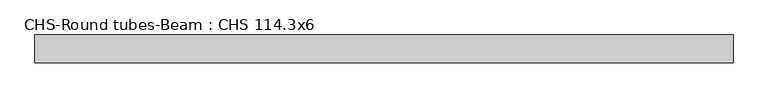
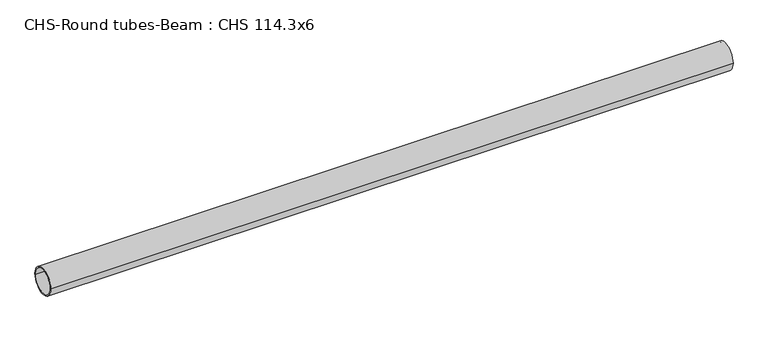
"""IFC4 building model written with IfcOpenShell, lengths in millimetres: beam geometry, CHS-Round tubes-Beam : CHS 114.3x6."""

import ifcopenshell
import ifcopenshell.guid

model = None  # the IFC model being written
_history = None  # IfcOwnerHistory: only IFC2X3 demands one
_inside = {}  # id of a spatial element -> (the spatial element, [elements in it])
_under = {}  # id of a project, library or spatial element -> (it, [spatial elements below it])
_declared = {}  # id of a project -> (the project, [libraries it declares])
_typed = {}  # id of a type object -> (the type object, [elements of that type])
_made_of = {}  # id of a material, layer set ... -> (it, [elements and type objects made of it])


def new_model(schema):
    """Start an empty IFC model of exactly this schema.

    Asked for "IFC4X3", IfcOpenShell would pick the latest addendum, in which some entities
    have other attributes; the version numbers below select the first issue.
    IFC2X3 requires an IfcOwnerHistory on every rooted entity: one is made here for all.
    """
    global model, _history
    if schema == "IFC4X3":
        model = ifcopenshell.file(schema_version=(4, 3, 0, 0))
    else:
        model = ifcopenshell.file(schema=schema)
    _inside.clear()
    _under.clear()
    _declared.clear()
    _typed.clear()
    _made_of.clear()
    _history = None
    if model.schema == "IFC2X3":
        org = make("IfcOrganization", Name="unknown")
        user = make(
            "IfcPersonAndOrganization",
            ThePerson=make("IfcPerson", FamilyName="unknown"),
            TheOrganization=org,
        )
        app = make(
            "IfcApplication",
            ApplicationDeveloper=org,
            Version="unknown",
            ApplicationFullName="unknown",
            ApplicationIdentifier="unknown",
        )
        _history = make(
            "IfcOwnerHistory",
            OwningUser=user,
            OwningApplication=app,
            ChangeAction="ADDED",
            CreationDate=0,
        )
    return model


def make(cls, **values):
    """One entity of the class cls with the attributes given. An attribute that is None is left unset."""
    return model.create_entity(
        cls, **{name: value for name, value in values.items() if value is not None}
    )


def rooted(cls, **values):
    """An entity with a GlobalId (a new one), such as an element, a storey or a relation."""
    return make(cls, GlobalId=ifcopenshell.guid.new(), OwnerHistory=_history, **values)


def si_unit(unit_type, name, prefix=None):
    """IfcSIUnit, for example si_unit("LENGTHUNIT", "METRE", prefix="MILLI")."""
    return make("IfcSIUnit", UnitType=unit_type, Prefix=prefix, Name=name)


def assignment(units):
    """IfcUnitAssignment: the units of a project."""
    return None if units is None else make("IfcUnitAssignment", Units=units)


def point(xyz):
    """IfcCartesianPoint."""
    return None if xyz is None else make("IfcCartesianPoint", Coordinates=xyz)


def direction(xyz):
    """IfcDirection."""
    return None if xyz is None else make("IfcDirection", DirectionRatios=xyz)


def frame(location, z_axis=None, x_axis=None):
    """IfcAxis2Placement3D, a coordinate frame: its origin and axes. An axis left out is left unset."""
    return make(
        "IfcAxis2Placement3D",
        Location=point(location),
        Axis=direction(z_axis),
        RefDirection=direction(x_axis),
    )


def frame_2d(location, x_axis=None):
    """IfcAxis2Placement2D, a coordinate frame in the plane: its origin and x axis."""
    return make(
        "IfcAxis2Placement2D", Location=point(location), RefDirection=direction(x_axis)
    )


def origin():
    """The frame at (0, 0, 0) with its axes left unset."""
    return frame((0.0, 0.0, 0.0))


def origin_2d():
    """The frame at (0, 0) in the plane with its x axis left unset."""
    return frame_2d((0.0, 0.0))


def place(relative_to, where):
    """IfcLocalPlacement: puts the frame where relative to a parent placement (None: the world)."""
    return make(
        "IfcLocalPlacement", PlacementRelTo=relative_to, RelativePlacement=where
    )


def context(
    kind, dimensions, precision=None, world=None, true_north=None, identifier=None
):
    """IfcGeometricRepresentationContext, for example the 3D "Model" context."""
    return make(
        "IfcGeometricRepresentationContext",
        ContextIdentifier=identifier,
        ContextType=kind,
        CoordinateSpaceDimension=dimensions,
        Precision=precision,
        WorldCoordinateSystem=world,
        TrueNorth=true_north,
    )


def project(units=None, contexts=None):
    """IfcProject with its units and contexts."""
    return rooted(
        "IfcProject",
        Name="project",
        RepresentationContexts=contexts,
        UnitsInContext=assignment(units),
    )


def spatial(cls, under=None, at=None, **own):
    """A site, building, storey or space (cls), placed at a placement, below another one or the project."""
    s = rooted(cls, ObjectPlacement=at, **own)
    if under is not None:
        _under.setdefault(under.id(), (under, []))[1].append(s)
    return s


def circle_curve(where, radius):
    """IfcCircle in the frame where."""
    return make("IfcCircle", Position=where, Radius=radius)


def trimmed(basis, trim1, trim2, sense, master):
    """IfcTrimmedCurve: the piece of a basis curve between two trims."""
    return make(
        "IfcTrimmedCurve",
        BasisCurve=basis,
        Trim1=trim1,
        Trim2=trim2,
        SenseAgreement=sense,
        MasterRepresentation=master,
    )


def segment(curve, same_sense, transition):
    """IfcCompositeCurveSegment."""
    return make(
        "IfcCompositeCurveSegment",
        Transition=transition,
        SameSense=same_sense,
        ParentCurve=curve,
    )


def composite_curve(segments, self_intersect=None):
    """IfcCompositeCurve: segments joined end to end."""
    return make("IfcCompositeCurve", Segments=segments, SelfIntersect=self_intersect)


def outline(outer, holes=None, kind="AREA"):
    """IfcArbitraryClosedProfileDef: a profile drawn as a closed curve; with holes, ...WithVoids."""
    if holes is None:
        return make("IfcArbitraryClosedProfileDef", ProfileType=kind, OuterCurve=outer)
    return make(
        "IfcArbitraryProfileDefWithVoids",
        ProfileType=kind,
        OuterCurve=outer,
        InnerCurves=holes,
    )


def extrude(swept, where, along, depth):
    """IfcExtrudedAreaSolid: the profile swept, set in the frame where, extruded along a direction by depth."""
    return make(
        "IfcExtrudedAreaSolid",
        SweptArea=swept,
        Position=where,
        ExtrudedDirection=direction(along),
        Depth=depth,
    )


def shape(context_of_items, identifier, shape_type, items):
    """IfcShapeRepresentation: the items that make up one representation, for example the "Body"."""
    return make(
        "IfcShapeRepresentation",
        ContextOfItems=context_of_items,
        RepresentationIdentifier=identifier,
        RepresentationType=shape_type,
        Items=items,
    )


def source(mapping_origin, context_of_items, identifier, shape_type, items):
    """IfcRepresentationMap: a shape defined once, which mapped items show again and again."""
    return make(
        "IfcRepresentationMap",
        MappingOrigin=mapping_origin,
        MappedRepresentation=shape(context_of_items, identifier, shape_type, items),
    )


def transform(
    local_origin,
    x_axis=None,
    y_axis=None,
    z_axis=None,
    scale=None,
    scale2=None,
    scale3=None,
    uniform=True,
):
    """IfcCartesianTransformationOperator3D, or its non-uniform kind. x_axis, y_axis, z_axis: its Axis1, 2, 3."""
    if uniform:
        return make(
            "IfcCartesianTransformationOperator3D",
            Axis1=direction(x_axis),
            Axis2=direction(y_axis),
            LocalOrigin=point(local_origin),
            Scale=scale,
            Axis3=direction(z_axis),
        )
    return make(
        "IfcCartesianTransformationOperator3DnonUniform",
        Axis1=direction(x_axis),
        Axis2=direction(y_axis),
        LocalOrigin=point(local_origin),
        Scale=scale,
        Axis3=direction(z_axis),
        Scale2=scale2,
        Scale3=scale3,
    )


def mapped(mapping_source, mapping_target):
    """IfcMappedItem: shows the shape of a source again, moved by a transform."""
    return make(
        "IfcMappedItem", MappingSource=mapping_source, MappingTarget=mapping_target
    )


def made_of(thing, what):
    """Note that an element or type object is made of a material, layer set ...; save() writes the relation."""
    if what is not None:
        _made_of.setdefault(what.id(), (what, []))[1].append(thing)
    return thing


def element(
    cls,
    number,
    at=None,
    inside=None,
    cuts=None,
    type_object=None,
    material=None,
    context=None,
    identifier="Body",
    shape_type=None,
    held_by="IfcProductDefinitionShape",
    body=None,
    shapes=None,
    **own,
):
    """One element of the class cls, such as IfcWall. Its Tag is "e" and its number.

    at: its placement. inside: the storey or other place that contains it. cuts: it is an
    opening in that element (IfcRelVoidsElement). A single representation is given by context,
    identifier, shape_type and body (its items); several are given by shapes. held_by: the class
    of the entity that holds the representations. save() writes the other relations.
    """
    e = rooted(cls, Tag="e%d" % number, ObjectPlacement=at, **own)
    if body is not None:
        shapes = [shape(context, identifier, shape_type, body)]
    if shapes is not None:
        e.Representation = make(held_by, Representations=shapes)
    if inside is not None:
        _inside.setdefault(inside.id(), (inside, []))[1].append(e)
    if cuts is not None:
        rooted(
            "IfcRelVoidsElement", RelatingBuildingElement=cuts, RelatedOpeningElement=e
        )
    if type_object is not None:
        _typed.setdefault(type_object.id(), (type_object, []))[1].append(e)
    return made_of(e, material)


def aggregate(whole, parts):
    """IfcRelAggregates: a whole, such as a stair, and the parts it consists of."""
    return rooted("IfcRelAggregates", RelatingObject=whole, RelatedObjects=parts)


def save(model, path):
    """Write the relations noted so far, then the file.

    IfcRelAggregates (storeys below a building ...), IfcRelContainedInSpatialStructure (elements
    in a storey), IfcRelDefinesByType, IfcRelAssociatesMaterial and IfcRelDeclares: one each for
    every whole, place, type object, material and project.
    """
    for whole, parts in _under.values():
        aggregate(whole, parts)
    for where, things in _inside.values():
        rooted(
            "IfcRelContainedInSpatialStructure",
            RelatedElements=things,
            RelatingStructure=where,
        )
    for kind, things in _typed.values():
        rooted("IfcRelDefinesByType", RelatedObjects=things, RelatingType=kind)
    for what, things in _made_of.values():
        rooted("IfcRelAssociatesMaterial", RelatedObjects=things, RelatingMaterial=what)
    for by, libraries in _declared.values():
        rooted("IfcRelDeclares", RelatingContext=by, RelatedDefinitions=libraries)
    model.write(path)


def chs_round_tubes_beam_chs_114_3x6_28ec2e5f(model_context):
    return source(origin(), model_context, "Body", "SweptSolid", [
        extrude(outline(composite_curve([segment(trimmed(circle_curve(origin_2d(), 57.15), [point((57.15, 0.0))], [point((-57.15, 0.0))], False, "CARTESIAN"), True, "CONTINUOUS"), segment(trimmed(circle_curve(origin_2d(), 57.15), [point((-57.15, 0.0))], [point((57.15, 0.0))], False, "CARTESIAN"), True, "CONTINUOUS")], self_intersect=False), holes=[composite_curve([segment(trimmed(circle_curve(origin_2d(), 51.15), [point((51.15, 0.0))], [point((-51.15, 0.0))], True, "CARTESIAN"), True, "CONTINUOUS"), segment(trimmed(circle_curve(origin_2d(), 51.15), [point((-51.15, 0.0))], [point((51.15, 0.0))], True, "CARTESIAN"), True, "CONTINUOUS")], self_intersect=False)]), frame((-1413.0249174, 0.0, 0.0), z_axis=(1.0, 0.0, 0.0), x_axis=(0.0, 1.0, 0.0)), (0.0, 0.0, 1.0), 2856.4281197),
    ])


if __name__ == "__main__":
    model = new_model("IFC4")
    model_context = context("Model", 3, world=origin())
    ifc_project = project(units=[si_unit("LENGTHUNIT", "METRE", prefix="MILLI")], contexts=[model_context])
    site = spatial("IfcSite", under=ifc_project)
    building = spatial("IfcBuilding", under=site)
    placement = place(None, origin())
    chs_round_tubes_beam_chs_114_3x6_shape = chs_round_tubes_beam_chs_114_3x6_28ec2e5f(model_context)
    element("IfcBeam", 1, ObjectType="CHS-Round tubes-Beam : CHS 114.3x6", at=placement, inside=building, context=model_context, shape_type="MappedRepresentation", body=[
        mapped(chs_round_tubes_beam_chs_114_3x6_shape, transform((0.0, 0.0, 0.0), x_axis=(1.0, 0.0, 0.0), y_axis=(0.0, 1.0, 0.0), z_axis=(0.0, 0.0, 1.0))),
    ])
    save(model, "model.ifc")
